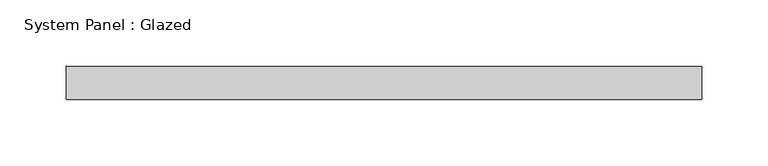
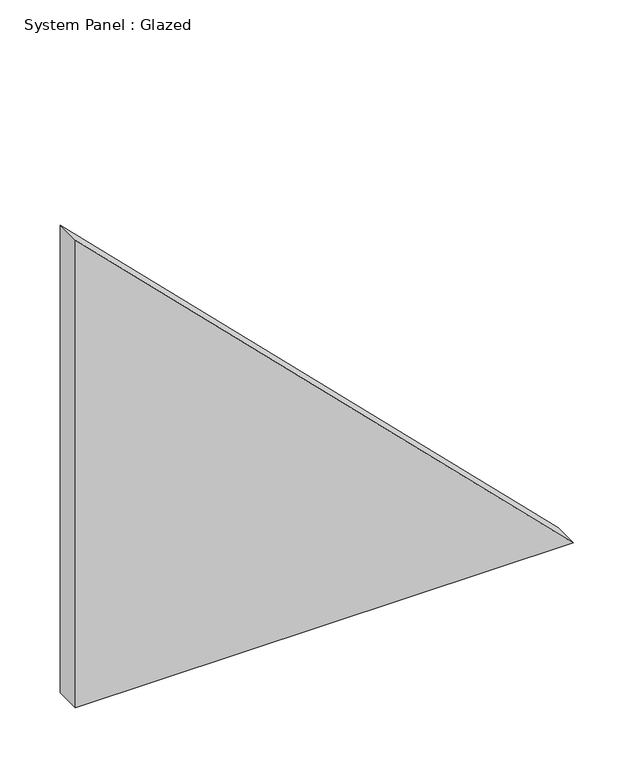
"""IFC4 building model written with IfcOpenShell, lengths in millimetres: plate geometry, System Panel : Glazed."""

from ifc_helpers import new_model, si_unit, frame, origin, place, context, project, spatial, polyline, outline, extrude, source, transform, mapped, element, save


def system_panel_glazed_12592216(model_context):
    return source(origin(), model_context, "Body", "SweptSolid", [
        extrude(outline(polyline([(0.0, -238.9314196), (0.0, 238.9314196), (474.3944807, -238.9314196), (0.0, -238.9314196)])), frame((0.0, 24.5, 0.0), z_axis=(0.0, 1.0, 0.0), x_axis=(0.0, 0.0, 1.0)), (0.0, 0.0, 1.0), 25.0),
    ])


if __name__ == "__main__":
    model = new_model("IFC4")
    model_context = context("Model", 3, world=origin())
    ifc_project = project(units=[si_unit("LENGTHUNIT", "METRE", prefix="MILLI")], contexts=[model_context])
    site = spatial("IfcSite", under=ifc_project)
    building = spatial("IfcBuilding", under=site)
    placement = place(None, origin())
    system_panel_glazed_shape = system_panel_glazed_12592216(model_context)
    element("IfcPlate", 1, ObjectType="System Panel : Glazed", at=placement, inside=building, context=model_context, shape_type="MappedRepresentation", body=[
        mapped(system_panel_glazed_shape, transform((0.0, 0.0, 0.0), x_axis=(1.0, 0.0, 0.0), y_axis=(0.0, 1.0, 0.0), z_axis=(0.0, 0.0, 1.0))),
    ])
    save(model, "model.ifc")
